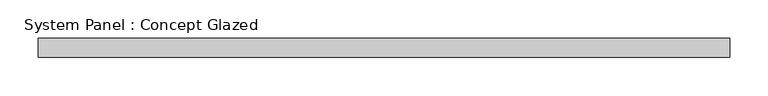
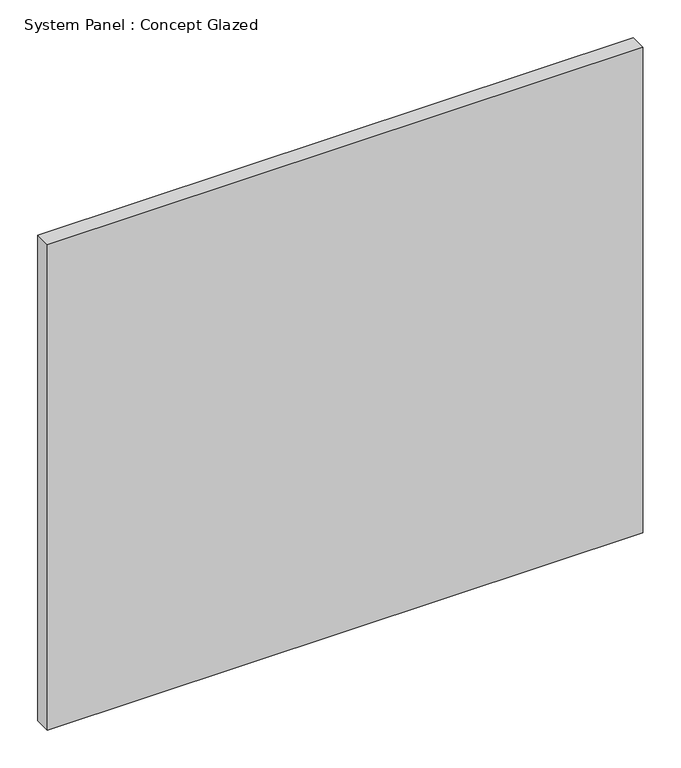
"""IFC4 building model written with IfcOpenShell, lengths in millimetres: plate geometry, System Panel : Concept Glazed."""

from ifc_helpers import new_model, si_unit, origin, origin_with_axes, place, context, project, spatial, polyline, outline, extrude, source, transform, mapped, element, save


def system_panel_concept_glazed_89da58ff(model_context):
    return source(origin(), model_context, "Body", "SweptSolid", [
        extrude(outline(polyline([(452.5, 0.0), (-452.5, 0.0), (-452.5, 25.0), (452.5, 25.0), (452.5, 0.0)])), origin_with_axes(), (0.0, 0.0, 1.0), 780.0),
    ])


if __name__ == "__main__":
    model = new_model("IFC4")
    model_context = context("Model", 3, world=origin())
    ifc_project = project(units=[si_unit("LENGTHUNIT", "METRE", prefix="MILLI")], contexts=[model_context])
    site = spatial("IfcSite", under=ifc_project)
    building = spatial("IfcBuilding", under=site)
    placement = place(None, origin())
    system_panel_concept_glazed_shape = system_panel_concept_glazed_89da58ff(model_context)
    element("IfcPlate", 1, ObjectType="System Panel : Concept Glazed", at=placement, inside=building, context=model_context, shape_type="MappedRepresentation", body=[
        mapped(system_panel_concept_glazed_shape, transform((0.0, 0.0, 0.0), x_axis=(1.0, 0.0, 0.0), y_axis=(0.0, 1.0, 0.0), z_axis=(0.0, 0.0, 1.0))),
    ])
    save(model, "model.ifc")
